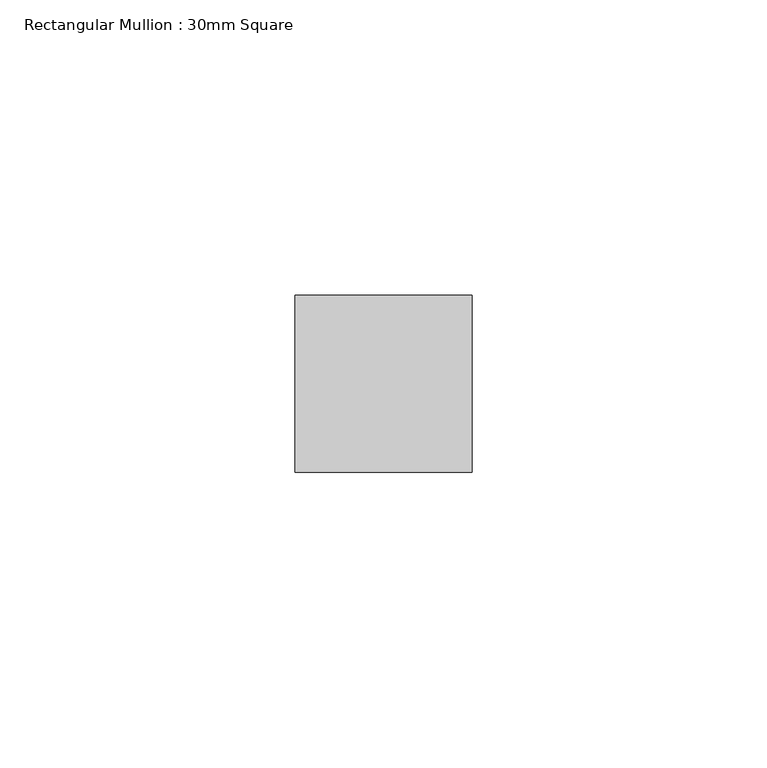
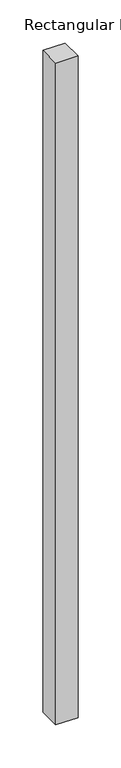
"""IFC4 building model written with IfcOpenShell, lengths in millimetres: member geometry, Rectangular Mullion : 30mm Square."""

from ifc_helpers import new_model, si_unit, frame, origin, place, context, project, spatial, polyline, outline, extrude, source, transform, mapped, element, save


def rectangular_mullion_30mm_square_5b22fb5b(model_context):
    return source(origin(), model_context, "Body", "SweptSolid", [
        extrude(outline(polyline([(0.0, 15.0), (0.0, -15.0), (-30.0, -15.0), (-30.0, 15.0), (0.0, 15.0)])), frame((0.0, 0.0, -939.2373173), z_axis=(0.0, 0.0, 1.0), x_axis=(1.0, 0.0, 0.0)), (0.0, 0.0, 1.0), 939.2373173),
    ])


if __name__ == "__main__":
    model = new_model("IFC4")
    model_context = context("Model", 3, world=origin())
    ifc_project = project(units=[si_unit("LENGTHUNIT", "METRE", prefix="MILLI")], contexts=[model_context])
    site = spatial("IfcSite", under=ifc_project)
    building = spatial("IfcBuilding", under=site)
    placement = place(None, origin())
    rectangular_mullion_30mm_square_shape = rectangular_mullion_30mm_square_5b22fb5b(model_context)
    element("IfcMember", 1, ObjectType="Rectangular Mullion : 30mm Square", at=placement, inside=building, context=model_context, shape_type="MappedRepresentation", body=[
        mapped(rectangular_mullion_30mm_square_shape, transform((0.0, 0.0, 0.0), x_axis=(1.0, 0.0, 0.0), y_axis=(0.0, 1.0, 0.0), z_axis=(0.0, 0.0, 1.0))),
    ])
    save(model, "model.ifc")
